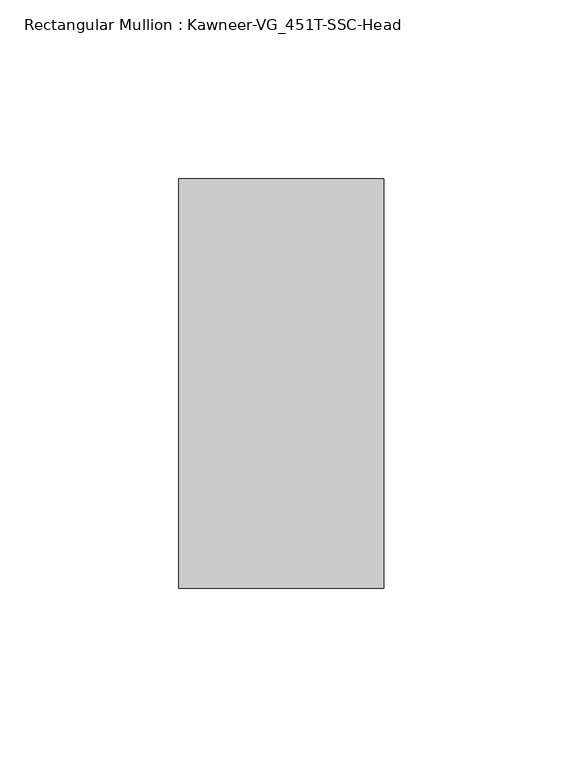
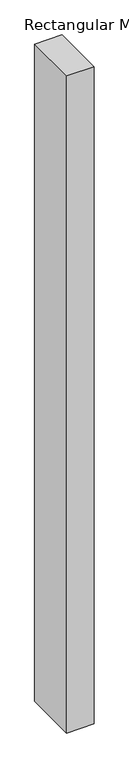
"""IFC4 building model written with IfcOpenShell, lengths in millimetres: member geometry, Rectangular Mullion : Kawneer-VG_451T-SSC-Head."""

from ifc_helpers import new_model, si_unit, frame, origin, place, context, project, spatial, polyline, outline, extrude, source, transform, mapped, element, save


def rectangular_mullion_kawneer_vg_451t_ssc_head_1aaa4fa9(model_context):
    return source(origin(), model_context, "Body", "SweptSolid", [
        extrude(outline(polyline([(-57.15, -57.15), (-57.15, 57.15), (0.0, 57.15), (0.0, -57.15), (-57.15, -57.15)])), frame((0.0, 0.0, -1441.45), z_axis=(0.0, 0.0, 1.0), x_axis=(1.0, 0.0, 0.0)), (0.0, 0.0, 1.0), 1441.45),
    ])


if __name__ == "__main__":
    model = new_model("IFC4")
    model_context = context("Model", 3, world=origin())
    ifc_project = project(units=[si_unit("LENGTHUNIT", "METRE", prefix="MILLI")], contexts=[model_context])
    site = spatial("IfcSite", under=ifc_project)
    building = spatial("IfcBuilding", under=site)
    placement = place(None, origin())
    rectangular_mullion_kawneer_vg_451t_ssc_head_shape = rectangular_mullion_kawneer_vg_451t_ssc_head_1aaa4fa9(model_context)
    element("IfcMember", 1, ObjectType="Rectangular Mullion : Kawneer-VG_451T-SSC-Head", at=placement, inside=building, context=model_context, shape_type="MappedRepresentation", body=[
        mapped(rectangular_mullion_kawneer_vg_451t_ssc_head_shape, transform((0.0, 0.0, 0.0), x_axis=(1.0, 0.0, 0.0), y_axis=(0.0, 1.0, 0.0), z_axis=(0.0, 0.0, 1.0))),
    ])
    save(model, "model.ifc")
